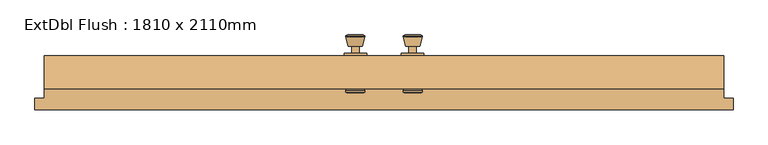
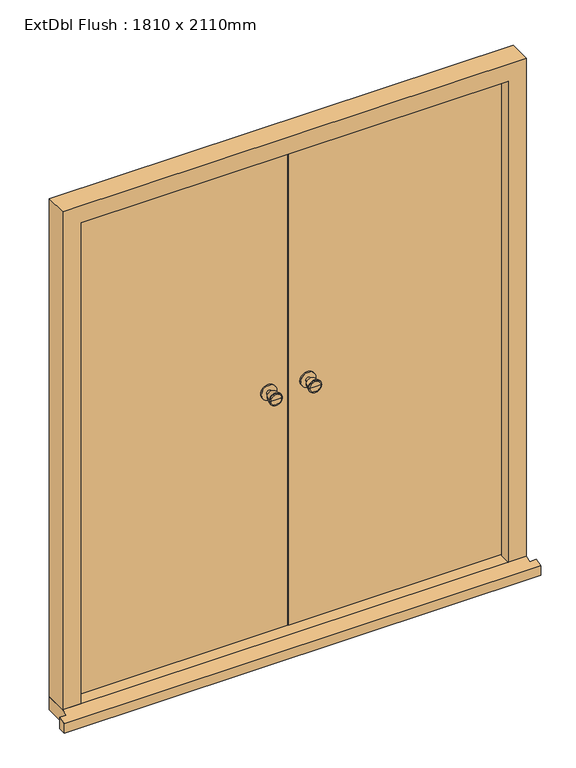
"""IFC4 building model written with IfcOpenShell, lengths in millimetres: door geometry, ExtDbl Flush : 1810 x 2110mm."""

from ifc_helpers import new_model, si_unit, point, frame, frame_2d, origin, place, context, project, spatial, polyline, circle_curve, trimmed, segment, composite_curve, outline, extrude, faceted_brep, source, transform, mapped, element, save
from ifc_brep_helpers import plane_surface, cylinder_surface, revolved_surface, advanced_brep


def extdbl_flush_1810_x_2110mm_4f306b10(model_context):
    return source(origin(), model_context, "Body", "SolidModel", [
        advanced_brep(
        [(-76.5, 20.0, 1050.0), (-86.5, 20.0, 1050.0), (-66.5, 20.0, 1050.0), (-96.9758676, 69.0, 1050.0), (-76.5, 69.0, 1050.0), (-56.0241324, 69.0, 1050.0), (-101.5, 67.1721319, 1050.0), (-51.5, 67.1721319, 1050.0), (-101.5, 63.7084537, 1050.0), (-51.5, 63.7084537, 1050.0), (-95.136236, 39.0, 1050.0), (-57.863764, 39.0, 1050.0), (-86.5, 39.0, 1050.0), (-66.5, 39.0, 1050.0)],
        [
            (0, 1),
            (1, 2, circle_curve(frame((-76.5, 20.0, 1050.0), z_axis=(0.0, -1.0, 0.0), x_axis=(1.0, 0.0, 0.0)), 10.0)),
            (2, 0),
            (2, 1, circle_curve(frame((-76.5, 20.0, 1050.0), z_axis=(0.0, -1.0, 0.0), x_axis=(1.0, 0.0, 0.0)), 10.0)),
            (3, 4),
            (4, 5),
            (5, 3, circle_curve(frame((-76.5, 69.0, 1050.0), z_axis=(0.0, 1.0, 0.0), x_axis=(1.0, 0.0, 0.0)), 20.4758676)),
            (3, 5, circle_curve(frame((-76.5, 69.0, 1050.0), z_axis=(0.0, 1.0, 0.0), x_axis=(1.0, 0.0, 0.0)), 20.4758676)),
            (6, 3),
            (5, 7),
            (7, 6, circle_curve(frame((-76.5, 67.1721319, 1050.0), z_axis=(0.0, 1.0, 0.0), x_axis=(1.0, 0.0, 0.0)), 25.0)),
            (6, 7, circle_curve(frame((-76.5, 67.1721319, 1050.0), z_axis=(0.0, 1.0, 0.0), x_axis=(1.0, 0.0, 0.0)), 25.0)),
            (8, 6),
            (7, 9),
            (9, 8, circle_curve(frame((-76.5, 63.7084537, 1050.0), z_axis=(0.0, 1.0, 0.0), x_axis=(1.0, 0.0, 0.0)), 25.0)),
            (8, 9, circle_curve(frame((-76.5, 63.7084537, 1050.0), z_axis=(0.0, 1.0, 0.0), x_axis=(1.0, 0.0, 0.0)), 25.0)),
            (10, 8),
            (9, 11),
            (11, 10, circle_curve(frame((-76.5, 39.0, 1050.0), z_axis=(0.0, 1.0, 0.0), x_axis=(1.0, 0.0, 0.0)), 18.636236)),
            (10, 11, circle_curve(frame((-76.5, 39.0, 1050.0), z_axis=(0.0, 1.0, 0.0), x_axis=(1.0, 0.0, 0.0)), 18.636236)),
            (12, 10),
            (11, 13),
            (13, 12, circle_curve(frame((-76.5, 39.0, 1050.0), z_axis=(0.0, 1.0, 0.0), x_axis=(1.0, 0.0, 0.0)), 10.0)),
            (12, 13, circle_curve(frame((-76.5, 39.0, 1050.0), z_axis=(0.0, 1.0, 0.0), x_axis=(1.0, 0.0, 0.0)), 10.0)),
            (1, 12),
            (13, 2),
        ],
        [
            plane_surface(frame((-76.5, 20.0, 1050.0), z_axis=(0.0, -1.0, 0.0), x_axis=(1.0, 0.0, 0.0))),
            plane_surface(frame((-76.5, 69.0, 1050.0), z_axis=(0.0, 1.0, 0.0), x_axis=(1.0, 0.0, 0.0))),
            revolved_surface(polyline([(-56.0241324, 69.0, 1050.0), (-51.5, 67.1721319, 1050.0)]), (-76.5, 20.0, 1050.0), (0.0, -1.0, 0.0)),
            cylinder_surface(frame((-76.5, 20.0, 1050.0), z_axis=(0.0, -1.0, 0.0), x_axis=(1.0, 0.0, 0.0)), 25.0),
            revolved_surface(polyline([(-51.5, 63.7084537, 1050.0), (-57.863764, 39.0, 1050.0)]), (-76.5, 20.0, 1050.0), (0.0, -1.0, 0.0)),
            plane_surface(frame((-76.5, 39.0, 1050.0), z_axis=(0.0, -1.0, 0.0), x_axis=(1.0, 0.0, 0.0))),
            cylinder_surface(frame((-76.5, 20.0, 1050.0), z_axis=(0.0, -1.0, 0.0), x_axis=(1.0, 0.0, 0.0)), 10.0),
        ],
        [
            (0, [[1, 2, 3]]),
            (0, [[-3, 4, -1]]),
            (1, [[5, 6, 7]]),
            (1, [[-6, -5, 8]]),
            (2, [[9, -7, 10, 11]]),
            (2, [[-10, -8, -9, 12]]),
            (3, [[13, -11, 14, 15]]),
            (3, [[-14, -12, -13, 16]]),
            (4, [[17, -15, 18, 19]]),
            (4, [[-18, -16, -17, 20]]),
            (5, [[21, -19, 22, 23]]),
            (5, [[-22, -20, -21, 24]]),
            (6, [[25, -23, 26, -2]]),
            (6, [[-26, -24, -25, -4]]),
        ],
    ),
        extrude(outline(composite_curve([segment(trimmed(circle_curve(frame_2d((1050.0, -76.5)), 30.0), [point((1050.0, -46.5))], [point((1050.0, -106.5))], False, "CARTESIAN"), True, "CONTINUOUS"), segment(trimmed(circle_curve(frame_2d((1050.0, -76.5)), 30.0), [point((1050.0, -106.5))], [point((1050.0, -46.5))], False, "CARTESIAN"), True, "CONTINUOUS")], self_intersect=False)), frame((0.0, 14.0, 0.0), z_axis=(0.0, 1.0, 0.0), x_axis=(0.0, 0.0, 1.0)), (0.0, 0.0, 1.0), 6.0),
        advanced_brep(
        [(-76.5, -36.0, 1050.0), (-66.5, -36.0, 1050.0), (-86.5, -36.0, 1050.0), (-96.9758676, -85.0, 1050.0), (-56.0241324, -85.0, 1050.0), (-76.5, -85.0, 1050.0), (-101.5, -83.1721319, 1050.0), (-51.5, -83.1721319, 1050.0), (-101.5, -79.7084537, 1050.0), (-51.5, -79.7084537, 1050.0), (-95.136236, -55.0, 1050.0), (-57.863764, -55.0, 1050.0), (-86.5, -55.0, 1050.0), (-66.5, -55.0, 1050.0)],
        [
            (0, 1),
            (1, 2, circle_curve(frame((-76.5, -36.0, 1050.0), z_axis=(0.0, 1.0, 0.0), x_axis=(1.0, 0.0, 0.0)), 10.0)),
            (2, 0),
            (2, 1, circle_curve(frame((-76.5, -36.0, 1050.0), z_axis=(0.0, 1.0, 0.0), x_axis=(1.0, 0.0, 0.0)), 10.0)),
            (3, 4, circle_curve(frame((-76.5, -85.0, 1050.0), z_axis=(0.0, -1.0, 0.0), x_axis=(1.0, 0.0, 0.0)), 20.4758676)),
            (4, 5),
            (5, 3),
            (4, 3, circle_curve(frame((-76.5, -85.0, 1050.0), z_axis=(0.0, -1.0, 0.0), x_axis=(1.0, 0.0, 0.0)), 20.4758676)),
            (6, 7, circle_curve(frame((-76.5, -83.1721319, 1050.0), z_axis=(0.0, -1.0, 0.0), x_axis=(1.0, 0.0, 0.0)), 25.0)),
            (7, 4),
            (3, 6),
            (7, 6, circle_curve(frame((-76.5, -83.1721319, 1050.0), z_axis=(0.0, -1.0, 0.0), x_axis=(1.0, 0.0, 0.0)), 25.0)),
            (8, 9, circle_curve(frame((-76.5, -79.7084537, 1050.0), z_axis=(0.0, -1.0, 0.0), x_axis=(1.0, 0.0, 0.0)), 25.0)),
            (9, 7),
            (6, 8),
            (9, 8, circle_curve(frame((-76.5, -79.7084537, 1050.0), z_axis=(0.0, -1.0, 0.0), x_axis=(1.0, 0.0, 0.0)), 25.0)),
            (10, 11, circle_curve(frame((-76.5, -55.0, 1050.0), z_axis=(0.0, -1.0, 0.0), x_axis=(1.0, 0.0, 0.0)), 18.636236)),
            (11, 9),
            (8, 10),
            (11, 10, circle_curve(frame((-76.5, -55.0, 1050.0), z_axis=(0.0, -1.0, 0.0), x_axis=(1.0, 0.0, 0.0)), 18.636236)),
            (12, 13, circle_curve(frame((-76.5, -55.0, 1050.0), z_axis=(0.0, -1.0, 0.0), x_axis=(1.0, 0.0, 0.0)), 10.0)),
            (13, 11),
            (10, 12),
            (13, 12, circle_curve(frame((-76.5, -55.0, 1050.0), z_axis=(0.0, -1.0, 0.0), x_axis=(1.0, 0.0, 0.0)), 10.0)),
            (1, 13),
            (12, 2),
        ],
        [
            plane_surface(frame((-76.5, -36.0, 1050.0), z_axis=(0.0, 1.0, 0.0), x_axis=(1.0, 0.0, 0.0))),
            plane_surface(frame((-76.5, -85.0, 1050.0), z_axis=(0.0, -1.0, 0.0), x_axis=(1.0, 0.0, 0.0))),
            revolved_surface(polyline([(-56.0241324, -85.0, 1050.0), (-51.5, -83.1721319, 1050.0)]), (-76.5, -36.0, 1050.0), (0.0, 1.0, 0.0)),
            cylinder_surface(frame((-76.5, -36.0, 1050.0), z_axis=(0.0, 1.0, 0.0), x_axis=(1.0, 0.0, 0.0)), 25.0),
            revolved_surface(polyline([(-51.5, -79.7084537, 1050.0), (-57.863764, -55.0, 1050.0)]), (-76.5, -36.0, 1050.0), (0.0, 1.0, 0.0)),
            plane_surface(frame((-76.5, -55.0, 1050.0), z_axis=(0.0, 1.0, 0.0), x_axis=(1.0, 0.0, 0.0))),
            cylinder_surface(frame((-76.5, -36.0, 1050.0), z_axis=(0.0, 1.0, 0.0), x_axis=(1.0, 0.0, 0.0)), 10.0),
        ],
        [
            (0, [[1, 2, 3]]),
            (0, [[-3, 4, -1]]),
            (1, [[5, 6, 7]]),
            (1, [[8, -7, -6]]),
            (2, [[9, 10, -5, 11]]),
            (2, [[12, -11, -8, -10]]),
            (3, [[13, 14, -9, 15]]),
            (3, [[16, -15, -12, -14]]),
            (4, [[17, 18, -13, 19]]),
            (4, [[20, -19, -16, -18]]),
            (5, [[21, 22, -17, 23]]),
            (5, [[24, -23, -20, -22]]),
            (6, [[-2, 25, -21, 26]]),
            (6, [[-4, -26, -24, -25]]),
        ],
    ),
        extrude(outline(composite_curve([segment(trimmed(circle_curve(frame_2d((1050.0, -76.5)), 30.0), [point((1050.0, -46.5))], [point((1050.0, -106.5))], False, "CARTESIAN"), True, "CONTINUOUS"), segment(trimmed(circle_curve(frame_2d((1050.0, -76.5)), 30.0), [point((1050.0, -106.5))], [point((1050.0, -46.5))], False, "CARTESIAN"), True, "CONTINUOUS")], self_intersect=False)), frame((0.0, -36.0, 0.0), z_axis=(0.0, 1.0, 0.0), x_axis=(0.0, 0.0, 1.0)), (0.0, 0.0, 1.0), 6.0),
        advanced_brep(
        [(76.5, 20.0, 1050.0), (66.5, 20.0, 1050.0), (86.5, 20.0, 1050.0), (96.9758676, 69.0, 1050.0), (56.0241324, 69.0, 1050.0), (76.5, 69.0, 1050.0), (101.5, 67.1721319, 1050.0), (51.5, 67.1721319, 1050.0), (101.5, 63.7084537, 1050.0), (51.5, 63.7084537, 1050.0), (95.136236, 39.0, 1050.0), (57.863764, 39.0, 1050.0), (86.5, 39.0, 1050.0), (66.5, 39.0, 1050.0)],
        [
            (0, 1),
            (1, 2, circle_curve(frame((76.5, 20.0, 1050.0), z_axis=(0.0, -1.0, 0.0), x_axis=(-1.0, 0.0, 0.0)), 10.0)),
            (2, 0),
            (2, 1, circle_curve(frame((76.5, 20.0, 1050.0), z_axis=(0.0, -1.0, 0.0), x_axis=(-1.0, 0.0, 0.0)), 10.0)),
            (3, 4, circle_curve(frame((76.5, 69.0, 1050.0), z_axis=(0.0, 1.0, 0.0), x_axis=(-1.0, 0.0, 0.0)), 20.4758676)),
            (4, 5),
            (5, 3),
            (4, 3, circle_curve(frame((76.5, 69.0, 1050.0), z_axis=(0.0, 1.0, 0.0), x_axis=(-1.0, 0.0, 0.0)), 20.4758676)),
            (6, 7, circle_curve(frame((76.5, 67.1721319, 1050.0), z_axis=(0.0, 1.0, 0.0), x_axis=(-1.0, 0.0, 0.0)), 25.0)),
            (7, 4),
            (3, 6),
            (7, 6, circle_curve(frame((76.5, 67.1721319, 1050.0), z_axis=(0.0, 1.0, 0.0), x_axis=(-1.0, 0.0, 0.0)), 25.0)),
            (8, 9, circle_curve(frame((76.5, 63.7084537, 1050.0), z_axis=(0.0, 1.0, 0.0), x_axis=(-1.0, 0.0, 0.0)), 25.0)),
            (9, 7),
            (6, 8),
            (9, 8, circle_curve(frame((76.5, 63.7084537, 1050.0), z_axis=(0.0, 1.0, 0.0), x_axis=(-1.0, 0.0, 0.0)), 25.0)),
            (10, 11, circle_curve(frame((76.5, 39.0, 1050.0), z_axis=(0.0, 1.0, 0.0), x_axis=(-1.0, 0.0, 0.0)), 18.636236)),
            (11, 9),
            (8, 10),
            (11, 10, circle_curve(frame((76.5, 39.0, 1050.0), z_axis=(0.0, 1.0, 0.0), x_axis=(-1.0, 0.0, 0.0)), 18.636236)),
            (12, 13, circle_curve(frame((76.5, 39.0, 1050.0), z_axis=(0.0, 1.0, 0.0), x_axis=(-1.0, 0.0, 0.0)), 10.0)),
            (13, 11),
            (10, 12),
            (13, 12, circle_curve(frame((76.5, 39.0, 1050.0), z_axis=(0.0, 1.0, 0.0), x_axis=(-1.0, 0.0, 0.0)), 10.0)),
            (1, 13),
            (12, 2),
        ],
        [
            plane_surface(frame((76.5, 20.0, 1050.0), z_axis=(0.0, -1.0, 0.0), x_axis=(-1.0, 0.0, 0.0))),
            plane_surface(frame((76.5, 69.0, 1050.0), z_axis=(0.0, 1.0, 0.0), x_axis=(-1.0, 0.0, 0.0))),
            revolved_surface(polyline([(56.0241324, 69.0, 1050.0), (51.5, 67.1721319, 1050.0)]), (76.5, 20.0, 1050.0), (0.0, -1.0, 0.0)),
            cylinder_surface(frame((76.5, 20.0, 1050.0), z_axis=(0.0, -1.0, 0.0), x_axis=(-1.0, 0.0, 0.0)), 25.0),
            revolved_surface(polyline([(51.5, 63.7084537, 1050.0), (57.863764, 39.0, 1050.0)]), (76.5, 20.0, 1050.0), (0.0, -1.0, 0.0)),
            plane_surface(frame((76.5, 39.0, 1050.0), z_axis=(0.0, -1.0, 0.0), x_axis=(-1.0, 0.0, 0.0))),
            cylinder_surface(frame((76.5, 20.0, 1050.0), z_axis=(0.0, -1.0, 0.0), x_axis=(-1.0, 0.0, 0.0)), 10.0),
        ],
        [
            (0, [[1, 2, 3]]),
            (0, [[-3, 4, -1]]),
            (1, [[5, 6, 7]]),
            (1, [[8, -7, -6]]),
            (2, [[9, 10, -5, 11]]),
            (2, [[12, -11, -8, -10]]),
            (3, [[13, 14, -9, 15]]),
            (3, [[16, -15, -12, -14]]),
            (4, [[17, 18, -13, 19]]),
            (4, [[20, -19, -16, -18]]),
            (5, [[21, 22, -17, 23]]),
            (5, [[24, -23, -20, -22]]),
            (6, [[-2, 25, -21, 26]]),
            (6, [[-4, -26, -24, -25]]),
        ],
    ),
        extrude(outline(composite_curve([segment(trimmed(circle_curve(frame_2d((1050.0, 76.5)), 30.0), [point((1050.0, 46.5))], [point((1050.0, 106.5))], False, "CARTESIAN"), True, "CONTINUOUS"), segment(trimmed(circle_curve(frame_2d((1050.0, 76.5)), 30.0), [point((1050.0, 106.5))], [point((1050.0, 46.5))], False, "CARTESIAN"), True, "CONTINUOUS")], self_intersect=False)), frame((0.0, 14.0, 0.0), z_axis=(0.0, 1.0, 0.0), x_axis=(0.0, 0.0, 1.0)), (0.0, 0.0, 1.0), 6.0),
        advanced_brep(
        [(76.5, -36.0, 1050.0), (86.5, -36.0, 1050.0), (66.5, -36.0, 1050.0), (96.9758676, -85.0, 1050.0), (76.5, -85.0, 1050.0), (56.0241324, -85.0, 1050.0), (101.5, -83.1721319, 1050.0), (51.5, -83.1721319, 1050.0), (101.5, -79.7084537, 1050.0), (51.5, -79.7084537, 1050.0), (95.136236, -55.0, 1050.0), (57.863764, -55.0, 1050.0), (86.5, -55.0, 1050.0), (66.5, -55.0, 1050.0)],
        [
            (0, 1),
            (1, 2, circle_curve(frame((76.5, -36.0, 1050.0), z_axis=(0.0, 1.0, 0.0), x_axis=(-1.0, 0.0, 0.0)), 10.0)),
            (2, 0),
            (2, 1, circle_curve(frame((76.5, -36.0, 1050.0), z_axis=(0.0, 1.0, 0.0), x_axis=(-1.0, 0.0, 0.0)), 10.0)),
            (3, 4),
            (4, 5),
            (5, 3, circle_curve(frame((76.5, -85.0, 1050.0), z_axis=(0.0, -1.0, 0.0), x_axis=(-1.0, 0.0, 0.0)), 20.4758676)),
            (3, 5, circle_curve(frame((76.5, -85.0, 1050.0), z_axis=(0.0, -1.0, 0.0), x_axis=(-1.0, 0.0, 0.0)), 20.4758676)),
            (6, 3),
            (5, 7),
            (7, 6, circle_curve(frame((76.5, -83.1721319, 1050.0), z_axis=(0.0, -1.0, 0.0), x_axis=(-1.0, 0.0, 0.0)), 25.0)),
            (6, 7, circle_curve(frame((76.5, -83.1721319, 1050.0), z_axis=(0.0, -1.0, 0.0), x_axis=(-1.0, 0.0, 0.0)), 25.0)),
            (8, 6),
            (7, 9),
            (9, 8, circle_curve(frame((76.5, -79.7084537, 1050.0), z_axis=(0.0, -1.0, 0.0), x_axis=(-1.0, 0.0, 0.0)), 25.0)),
            (8, 9, circle_curve(frame((76.5, -79.7084537, 1050.0), z_axis=(0.0, -1.0, 0.0), x_axis=(-1.0, 0.0, 0.0)), 25.0)),
            (10, 8),
            (9, 11),
            (11, 10, circle_curve(frame((76.5, -55.0, 1050.0), z_axis=(0.0, -1.0, 0.0), x_axis=(-1.0, 0.0, 0.0)), 18.636236)),
            (10, 11, circle_curve(frame((76.5, -55.0, 1050.0), z_axis=(0.0, -1.0, 0.0), x_axis=(-1.0, 0.0, 0.0)), 18.636236)),
            (12, 10),
            (11, 13),
            (13, 12, circle_curve(frame((76.5, -55.0, 1050.0), z_axis=(0.0, -1.0, 0.0), x_axis=(-1.0, 0.0, 0.0)), 10.0)),
            (12, 13, circle_curve(frame((76.5, -55.0, 1050.0), z_axis=(0.0, -1.0, 0.0), x_axis=(-1.0, 0.0, 0.0)), 10.0)),
            (1, 12),
            (13, 2),
        ],
        [
            plane_surface(frame((76.5, -36.0, 1050.0), z_axis=(0.0, 1.0, 0.0), x_axis=(-1.0, 0.0, 0.0))),
            plane_surface(frame((76.5, -85.0, 1050.0), z_axis=(0.0, -1.0, 0.0), x_axis=(-1.0, 0.0, 0.0))),
            revolved_surface(polyline([(56.0241324, -85.0, 1050.0), (51.5, -83.1721319, 1050.0)]), (76.5, -36.0, 1050.0), (0.0, 1.0, 0.0)),
            cylinder_surface(frame((76.5, -36.0, 1050.0), z_axis=(0.0, 1.0, 0.0), x_axis=(-1.0, 0.0, 0.0)), 25.0),
            revolved_surface(polyline([(51.5, -79.7084537, 1050.0), (57.863764, -55.0, 1050.0)]), (76.5, -36.0, 1050.0), (0.0, 1.0, 0.0)),
            plane_surface(frame((76.5, -55.0, 1050.0), z_axis=(0.0, 1.0, 0.0), x_axis=(-1.0, 0.0, 0.0))),
            cylinder_surface(frame((76.5, -36.0, 1050.0), z_axis=(0.0, 1.0, 0.0), x_axis=(-1.0, 0.0, 0.0)), 10.0),
        ],
        [
            (0, [[1, 2, 3]]),
            (0, [[-3, 4, -1]]),
            (1, [[5, 6, 7]]),
            (1, [[-6, -5, 8]]),
            (2, [[9, -7, 10, 11]]),
            (2, [[-10, -8, -9, 12]]),
            (3, [[13, -11, 14, 15]]),
            (3, [[-14, -12, -13, 16]]),
            (4, [[17, -15, 18, 19]]),
            (4, [[-18, -16, -17, 20]]),
            (5, [[21, -19, 22, 23]]),
            (5, [[-22, -20, -21, 24]]),
            (6, [[25, -23, 26, -2]]),
            (6, [[-26, -24, -25, -4]]),
        ],
    ),
        extrude(outline(composite_curve([segment(trimmed(circle_curve(frame_2d((1050.0, 76.5)), 30.0), [point((1050.0, 46.5))], [point((1050.0, 106.5))], False, "CARTESIAN"), True, "CONTINUOUS"), segment(trimmed(circle_curve(frame_2d((1050.0, 76.5)), 30.0), [point((1050.0, 106.5))], [point((1050.0, 46.5))], False, "CARTESIAN"), True, "CONTINUOUS")], self_intersect=False)), frame((0.0, -36.0, 0.0), z_axis=(0.0, 1.0, 0.0), x_axis=(0.0, 0.0, 1.0)), (0.0, 0.0, 1.0), 6.0),
        faceted_brep([(834.5, -75.0, 54.5), (834.5, -33.0, 54.5), (856.5, -33.0, 54.5), (856.5, 14.0, 54.5), (905.0, 14.0, 54.5), (905.0, -75.0, 54.5), (905.0, -75.0, 2110.0), (-905.0, -75.0, 2110.0), (-905.0, -75.0, 54.5), (-834.5, -75.0, 54.5), (-834.5, -75.0, 2039.5), (834.5, -75.0, 2039.5), (905.0, 14.0, 2110.0), (856.5, 14.0, 2061.5), (-856.5, 14.0, 2061.5), (-856.5, 14.0, 54.5), (-905.0, 14.0, 54.5), (-905.0, 14.0, 2110.0), (856.5, -33.0, 2061.5), (834.5, -33.0, 2039.5), (-834.5, -33.0, 2039.5), (-834.5, -33.0, 54.5), (-856.5, -33.0, 54.5), (-856.5, -33.0, 2061.5)], [[[0, 1, 2, 3, 4, 5]], [[5, 6, 7, 8, 9, 10, 11, 0]], [[4, 12, 6, 5]], [[3, 13, 14, 15, 16, 17, 12, 4]], [[2, 18, 13, 3]], [[1, 19, 20, 21, 22, 23, 18, 2]], [[0, 11, 19, 1]], [[12, 17, 7, 6]], [[18, 23, 14, 13]], [[11, 10, 20, 19]], [[9, 8, 16, 15, 22, 21]], [[17, 16, 8, 7]], [[23, 22, 15, 14]], [[10, 9, 21, 20]]]),
        faceted_brep([(930.0, -130.0, 0.0), (930.0, -100.0, 0.0), (930.0, -100.0, 47.2703282), (930.0, -130.0, 38.5947221), (-930.0, -130.0, 38.5947221), (-930.0, -100.0, 47.2703282), (-930.0, -100.0, 0.0), (-930.0, -130.0, 0.0), (-905.0, -100.0, 0.0), (-905.0, 14.0, 0.0), (905.0, 14.0, 0.0), (905.0, -100.0, 0.0), (905.0, -100.0, 47.2703282), (905.0, -75.0, 54.5), (-905.0, -75.0, 54.5), (-905.0, -100.0, 47.2703282), (905.0, 14.0, 54.5), (-905.0, 14.0, 54.5)], [[[0, 1, 2, 3]], [[4, 5, 6, 7]], [[7, 6, 8, 9, 10, 11, 1, 0]], [[3, 4, 7, 0]], [[3, 2, 12, 13, 14, 15, 5, 4]], [[14, 13, 16, 17]], [[17, 16, 10, 9]], [[15, 14, 17, 9, 8]], [[8, 6, 5, 15]], [[11, 10, 16, 13, 12]], [[12, 2, 1, 11]]]),
        extrude(outline(polyline([(853.5, 14.0), (853.5, -30.0), (1.5, -30.0), (1.5, 14.0), (853.5, 14.0)])), frame((0.0, 0.0, 58.5), z_axis=(0.0, 0.0, 1.0), x_axis=(1.0, 0.0, 0.0)), (0.0, 0.0, 1.0), 2000.0),
        extrude(outline(polyline([(-1.5, 14.0), (-1.5, -30.0), (-853.5, -30.0), (-853.5, 14.0), (-1.5, 14.0)])), frame((0.0, 0.0, 58.5), z_axis=(0.0, 0.0, 1.0), x_axis=(1.0, 0.0, 0.0)), (0.0, 0.0, 1.0), 2000.0),
    ])


if __name__ == "__main__":
    model = new_model("IFC4")
    model_context = context("Model", 3, world=origin())
    ifc_project = project(units=[si_unit("LENGTHUNIT", "METRE", prefix="MILLI")], contexts=[model_context])
    site = spatial("IfcSite", under=ifc_project)
    building = spatial("IfcBuilding", under=site)
    placement = place(None, origin())
    extdbl_flush_1810_x_2110mm_shape = extdbl_flush_1810_x_2110mm_4f306b10(model_context)
    element("IfcDoor", 1, ObjectType="ExtDbl Flush : 1810 x 2110mm", at=placement, inside=building, context=model_context, shape_type="MappedRepresentation", body=[
        mapped(extdbl_flush_1810_x_2110mm_shape, transform((0.0, 0.0, 0.0), x_axis=(1.0, 0.0, 0.0), y_axis=(0.0, 1.0, 0.0), z_axis=(0.0, 0.0, 1.0))),
    ])
    save(model, "model.ifc")
